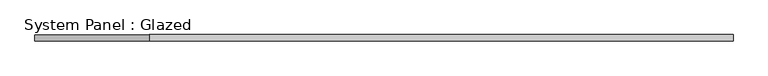
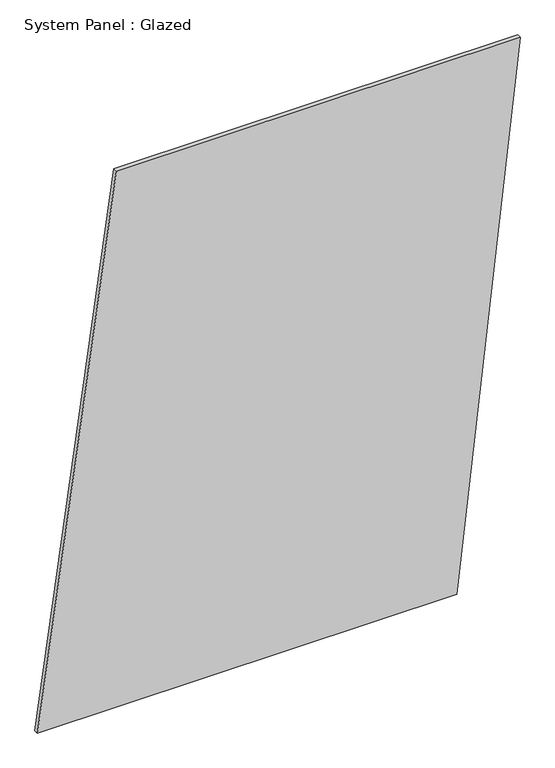
"""IFC4 building model written with IfcOpenShell, lengths in millimetres: plate geometry, System Panel : Glazed."""

from ifc_helpers import new_model, si_unit, frame, origin, place, context, project, spatial, polyline, outline, extrude, source, transform, mapped, element, save


def system_panel_glazed_b9a317d6(model_context):
    return source(origin(), model_context, "Body", "SweptSolid", [
        extrude(outline(polyline([(0.0, -1422.6099641), (0.0, 1050.6149284), (3339.9757421, 1422.6099641), (3339.9757421, -957.6161694), (0.0, -1422.6099641)])), frame((0.0, -49.5, 0.0), z_axis=(0.0, 1.0, 0.0), x_axis=(0.0, 0.0, 1.0)), (0.0, 0.0, 1.0), 25.0),
    ])


if __name__ == "__main__":
    model = new_model("IFC4")
    model_context = context("Model", 3, world=origin())
    ifc_project = project(units=[si_unit("LENGTHUNIT", "METRE", prefix="MILLI")], contexts=[model_context])
    site = spatial("IfcSite", under=ifc_project)
    building = spatial("IfcBuilding", under=site)
    placement = place(None, origin())
    system_panel_glazed_shape = system_panel_glazed_b9a317d6(model_context)
    element("IfcPlate", 1, ObjectType="System Panel : Glazed", at=placement, inside=building, context=model_context, shape_type="MappedRepresentation", body=[
        mapped(system_panel_glazed_shape, transform((0.0, 0.0, 0.0), x_axis=(1.0, 0.0, 0.0), y_axis=(0.0, 1.0, 0.0), z_axis=(0.0, 0.0, 1.0))),
    ])
    save(model, "model.ifc")
